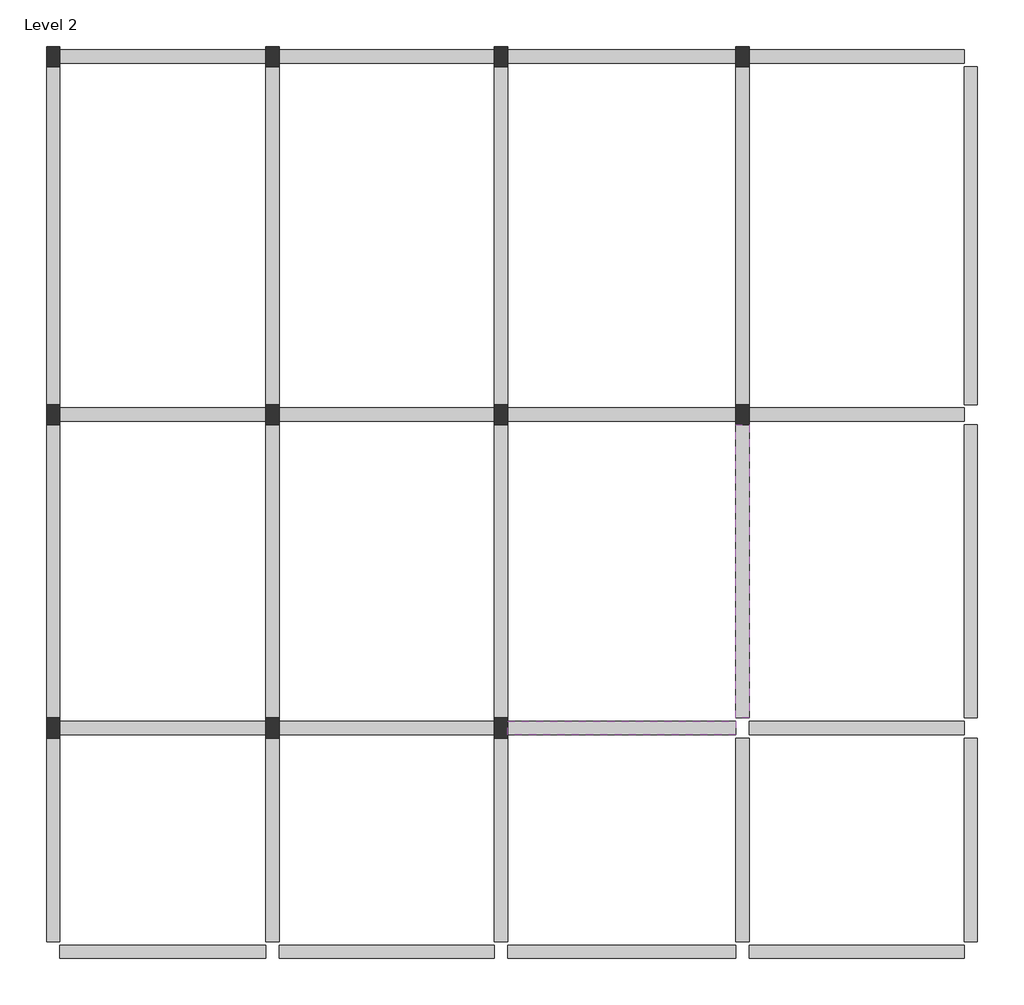
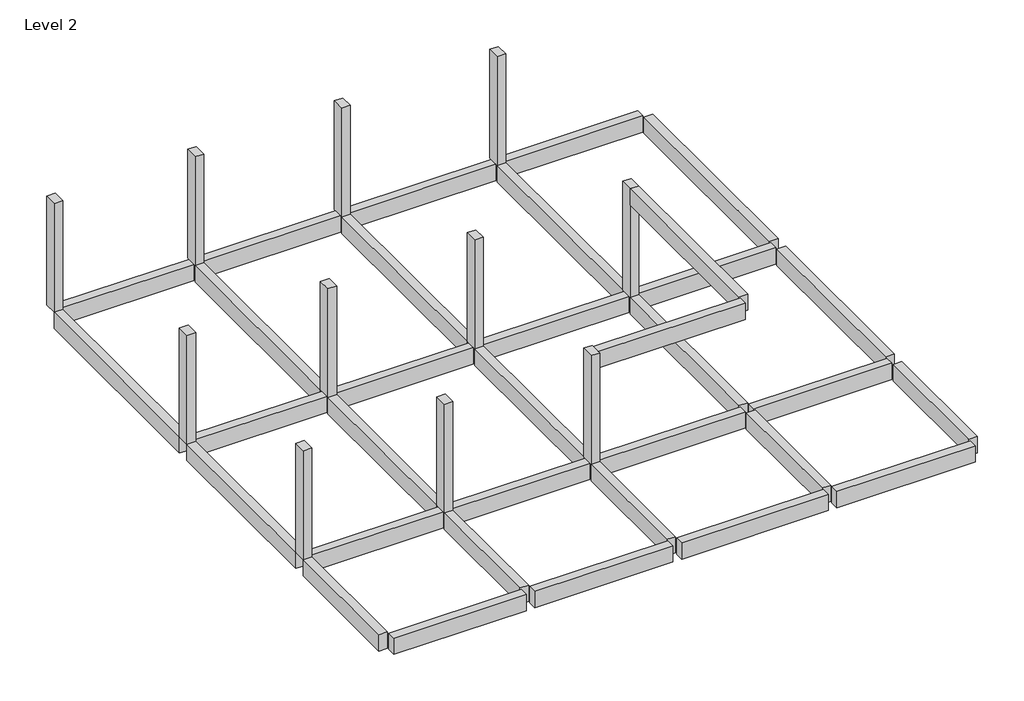
# One storey: 33 beams, 11 columns.
"""IFC4 building model written with IfcOpenShell, lengths in millimetres."""

from ifc_helpers import new_model, si_unit, frame, origin, place, context, project, spatial, polyline, outline, extrude, element, save

model = new_model("IFC4")

# Units and contexts
model_context = context("Model", 3, world=origin())
ifc_project = project(units=[si_unit("LENGTHUNIT", "METRE", prefix="MILLI")], contexts=[model_context])

# Site, building, storey
site = spatial("IfcSite", under=ifc_project)
building = spatial("IfcBuilding", under=site)
storey = spatial("IfcBuildingStorey", under=building, Name="Level 2", Elevation=6500.0)

# Beams
placement = place(None, origin())
element("IfcBeam", 1, ObjectType="Concrete-Rectangular Beam : 300 x 600mm", at=placement, inside=storey, context=model_context, shape_type="SweptSolid", body=[
    extrude(outline(polyline([(-16221.2304607, -12712.1047847), (-16521.2304607, -12712.1047847), (-16521.2304607, -8162.1047847), (-16221.2304607, -8162.1047847), (-16221.2304607, -12712.1047847)])), frame((0.0, 0.0, 5900.0), z_axis=(0.0, 0.0, 1.0), x_axis=(1.0, 0.0, 0.0)), (0.0, 0.0, 1.0), 600.0),
])
element("IfcBeam", 2, ObjectType="Concrete-Rectangular Beam : 300 x 600mm", at=placement, inside=storey, context=model_context, shape_type="SweptSolid", body=[
    extrude(outline(polyline([(-16221.2304607, -7712.1047847), (-16521.2304607, -7712.1047847), (-16521.2304607, -1162.1047847), (-16221.2304607, -1162.1047847), (-16221.2304607, -7712.1047847)])), frame((0.0, 0.0, 5900.0), z_axis=(0.0, 0.0, 1.0), x_axis=(1.0, 0.0, 0.0)), (0.0, 0.0, 1.0), 600.0),
])
element("IfcBeam", 3, ObjectType="Concrete-Rectangular Beam : 300 x 600mm", at=placement, inside=storey, context=model_context, shape_type="SweptSolid", body=[
    extrude(outline(polyline([(-821.2304607, 6912.8952153), (-821.2304607, 7212.8952153), (3978.7695393, 7212.8952153), (3978.7695393, 6912.8952153), (-821.2304607, 6912.8952153)])), frame((0.0, 0.0, 5900.0), z_axis=(0.0, 0.0, 1.0), x_axis=(1.0, 0.0, 0.0)), (0.0, 0.0, 1.0), 600.0),
])
element("IfcBeam", 4, ObjectType="Concrete-Rectangular Beam : 300 x 600mm", at=placement, inside=storey, context=model_context, shape_type="SweptSolid", body=[
    extrude(outline(polyline([(3978.7695393, 6837.8952153), (4278.7695393, 6837.8952153), (4278.7695393, -712.1047847), (3978.7695393, -712.1047847), (3978.7695393, 6837.8952153)])), frame((0.0, 0.0, 5900.0), z_axis=(0.0, 0.0, 1.0), x_axis=(1.0, 0.0, 0.0)), (0.0, 0.0, 1.0), 600.0),
])
element("IfcBeam", 5, ObjectType="Concrete-Rectangular Beam : 300 x 600mm", at=placement, inside=storey, context=model_context, shape_type="SweptSolid", body=[
    extrude(outline(polyline([(3978.7695393, -1162.1047847), (4278.7695393, -1162.1047847), (4278.7695393, -7712.1047847), (3978.7695393, -7712.1047847), (3978.7695393, -1162.1047847)])), frame((0.0, 0.0, 5900.0), z_axis=(0.0, 0.0, 1.0), x_axis=(1.0, 0.0, 0.0)), (0.0, 0.0, 1.0), 600.0),
])
element("IfcBeam", 6, ObjectType="Concrete-Rectangular Beam : 300 x 600mm", at=placement, inside=storey, context=model_context, shape_type="SweptSolid", body=[
    extrude(outline(polyline([(3978.7695393, -8162.1047847), (4278.7695393, -8162.1047847), (4278.7695393, -12712.1047847), (3978.7695393, -12712.1047847), (3978.7695393, -8162.1047847)])), frame((0.0, 0.0, 5900.0), z_axis=(0.0, 0.0, 1.0), x_axis=(1.0, 0.0, 0.0)), (0.0, 0.0, 1.0), 600.0),
])
element("IfcBeam", 7, ObjectType="Concrete-Rectangular Beam : 300 x 600mm", at=placement, inside=storey, context=model_context, shape_type="SweptSolid", body=[
    extrude(outline(polyline([(3978.7695393, -12787.1047847), (3978.7695393, -13087.1047847), (-821.2304607, -13087.1047847), (-821.2304607, -12787.1047847), (3978.7695393, -12787.1047847)])), frame((0.0, 0.0, 5900.0), z_axis=(0.0, 0.0, 1.0), x_axis=(1.0, 0.0, 0.0)), (0.0, 0.0, 1.0), 600.0),
])
element("IfcBeam", 8, ObjectType="Concrete-Rectangular Beam : 300 x 600mm", at=placement, inside=storey, context=model_context, shape_type="SweptSolid", body=[
    extrude(outline(polyline([(-1121.2304607, -12787.1047847), (-1121.2304607, -13087.1047847), (-6221.2304607, -13087.1047847), (-6221.2304607, -12787.1047847), (-1121.2304607, -12787.1047847)])), frame((0.0, 0.0, 5900.0), z_axis=(0.0, 0.0, 1.0), x_axis=(1.0, 0.0, 0.0)), (0.0, 0.0, 1.0), 600.0),
])
element("IfcBeam", 9, ObjectType="Concrete-Rectangular Beam : 300 x 600mm", at=placement, inside=storey, context=model_context, shape_type="SweptSolid", body=[
    extrude(outline(polyline([(-6521.2304607, -12787.1047847), (-6521.2304607, -13087.1047847), (-11321.2304607, -13087.1047847), (-11321.2304607, -12787.1047847), (-6521.2304607, -12787.1047847)])), frame((0.0, 0.0, 5900.0), z_axis=(0.0, 0.0, 1.0), x_axis=(1.0, 0.0, 0.0)), (0.0, 0.0, 1.0), 600.0),
])
element("IfcBeam", 10, ObjectType="Concrete-Rectangular Beam : 300 x 600mm", at=placement, inside=storey, context=model_context, shape_type="SweptSolid", body=[
    extrude(outline(polyline([(-11621.2304607, -12787.1047847), (-11621.2304607, -13087.1047847), (-16221.2304607, -13087.1047847), (-16221.2304607, -12787.1047847), (-11621.2304607, -12787.1047847)])), frame((0.0, 0.0, 5900.0), z_axis=(0.0, 0.0, 1.0), x_axis=(1.0, 0.0, 0.0)), (0.0, 0.0, 1.0), 600.0),
])
element("IfcBeam", 11, ObjectType="Concrete-Rectangular Beam : 300 x 600mm", at=placement, inside=storey, context=model_context, shape_type="SweptSolid", body=[
    extrude(outline(polyline([(-11321.2304607, -12712.1047847), (-11621.2304607, -12712.1047847), (-11621.2304607, -8162.1047847), (-11321.2304607, -8162.1047847), (-11321.2304607, -12712.1047847)])), frame((0.0, 0.0, 5900.0), z_axis=(0.0, 0.0, 1.0), x_axis=(1.0, 0.0, 0.0)), (0.0, 0.0, 1.0), 600.0),
])
element("IfcBeam", 12, ObjectType="Concrete-Rectangular Beam : 300 x 600mm", at=placement, inside=storey, context=model_context, shape_type="SweptSolid", body=[
    extrude(outline(polyline([(-11321.2304607, -7712.1047847), (-11621.2304607, -7712.1047847), (-11621.2304607, -1162.1047847), (-11321.2304607, -1162.1047847), (-11321.2304607, -7712.1047847)])), frame((0.0, 0.0, 5900.0), z_axis=(0.0, 0.0, 1.0), x_axis=(1.0, 0.0, 0.0)), (0.0, 0.0, 1.0), 600.0),
])
element("IfcBeam", 13, ObjectType="Concrete-Rectangular Beam : 300 x 600mm", at=placement, inside=storey, context=model_context, shape_type="SweptSolid", body=[
    extrude(outline(polyline([(-11321.2304607, -712.1047847), (-11621.2304607, -712.1047847), (-11621.2304607, 6837.8952153), (-11321.2304607, 6837.8952153), (-11321.2304607, -712.1047847)])), frame((0.0, 0.0, 5900.0), z_axis=(0.0, 0.0, 1.0), x_axis=(1.0, 0.0, 0.0)), (0.0, 0.0, 1.0), 600.0),
])
element("IfcBeam", 14, ObjectType="Concrete-Rectangular Beam : 300 x 600mm", at=placement, inside=storey, context=model_context, shape_type="SweptSolid", body=[
    extrude(outline(polyline([(-6521.2304607, 6837.8952153), (-6221.2304607, 6837.8952153), (-6221.2304607, -712.1047847), (-6521.2304607, -712.1047847), (-6521.2304607, 6837.8952153)])), frame((0.0, 0.0, 5900.0), z_axis=(0.0, 0.0, 1.0), x_axis=(1.0, 0.0, 0.0)), (0.0, 0.0, 1.0), 600.0),
])
element("IfcBeam", 15, ObjectType="Concrete-Rectangular Beam : 300 x 600mm", at=placement, inside=storey, context=model_context, shape_type="SweptSolid", body=[
    extrude(outline(polyline([(-6521.2304607, -1162.1047847), (-6221.2304607, -1162.1047847), (-6221.2304607, -7712.1047847), (-6521.2304607, -7712.1047847), (-6521.2304607, -1162.1047847)])), frame((0.0, 0.0, 5900.0), z_axis=(0.0, 0.0, 1.0), x_axis=(1.0, 0.0, 0.0)), (0.0, 0.0, 1.0), 600.0),
])
element("IfcBeam", 16, ObjectType="Concrete-Rectangular Beam : 300 x 600mm", at=placement, inside=storey, context=model_context, shape_type="SweptSolid", body=[
    extrude(outline(polyline([(-6521.2304607, -8162.1047847), (-6221.2304607, -8162.1047847), (-6221.2304607, -12712.1047847), (-6521.2304607, -12712.1047847), (-6521.2304607, -8162.1047847)])), frame((0.0, 0.0, 5900.0), z_axis=(0.0, 0.0, 1.0), x_axis=(1.0, 0.0, 0.0)), (0.0, 0.0, 1.0), 600.0),
])
element("IfcBeam", 17, ObjectType="Concrete-Rectangular Beam : 300 x 600mm", at=placement, inside=storey, context=model_context, shape_type="SweptSolid", body=[
    extrude(outline(polyline([(-821.2304607, -12712.1047847), (-1121.2304607, -12712.1047847), (-1121.2304607, -8162.1047847), (-821.2304607, -8162.1047847), (-821.2304607, -12712.1047847)])), frame((0.0, 0.0, 5900.0), z_axis=(0.0, 0.0, 1.0), x_axis=(1.0, 0.0, 0.0)), (0.0, 0.0, 1.0), 600.0),
])
element("IfcBeam", 18, ObjectType="Concrete-Rectangular Beam : 300 x 600mm", at=placement, inside=storey, context=model_context, shape_type="SweptSolid", body=[
    extrude(outline(polyline([(-821.2304607, -7712.1047847), (-1121.2304607, -7712.1047847), (-1121.2304607, -1162.1047847), (-821.2304607, -1162.1047847), (-821.2304607, -7712.1047847)])), frame((0.0, 0.0, 5900.0), z_axis=(0.0, 0.0, 1.0), x_axis=(1.0, 0.0, 0.0)), (0.0, 0.0, 1.0), 600.0),
])
element("IfcBeam", 19, ObjectType="Concrete-Rectangular Beam : 300 x 600mm", at=placement, inside=storey, context=model_context, shape_type="SweptSolid", body=[
    extrude(outline(polyline([(-1121.2304607, 6837.8952153), (-821.2304607, 6837.8952153), (-821.2304607, -712.1047847), (-1121.2304607, -712.1047847), (-1121.2304607, 6837.8952153)])), frame((0.0, 0.0, 5900.0), z_axis=(0.0, 0.0, 1.0), x_axis=(1.0, 0.0, 0.0)), (0.0, 0.0, 1.0), 600.0),
])
element("IfcBeam", 20, ObjectType="Concrete-Rectangular Beam : 300 x 600mm", at=placement, inside=storey, context=model_context, shape_type="SweptSolid", body=[
    extrude(outline(polyline([(-11621.2304607, -787.1047847), (-11621.2304607, -1087.1047847), (-16221.2304607, -1087.1047847), (-16221.2304607, -787.1047847), (-11621.2304607, -787.1047847)])), frame((0.0, 0.0, 5900.0), z_axis=(0.0, 0.0, 1.0), x_axis=(1.0, 0.0, 0.0)), (0.0, 0.0, 1.0), 600.0),
])
element("IfcBeam", 21, ObjectType="Concrete-Rectangular Beam : 300 x 600mm", at=placement, inside=storey, context=model_context, shape_type="SweptSolid", body=[
    extrude(outline(polyline([(-11321.2304607, -1087.1047847), (-11321.2304607, -787.1047847), (-6521.2304607, -787.1047847), (-6521.2304607, -1087.1047847), (-11321.2304607, -1087.1047847)])), frame((0.0, 0.0, 5900.0), z_axis=(0.0, 0.0, 1.0), x_axis=(1.0, 0.0, 0.0)), (0.0, 0.0, 1.0), 600.0),
])
element("IfcBeam", 22, ObjectType="Concrete-Rectangular Beam : 300 x 600mm", at=placement, inside=storey, context=model_context, shape_type="SweptSolid", body=[
    extrude(outline(polyline([(-6221.2304607, -1087.1047847), (-6221.2304607, -787.1047847), (-1121.2304607, -787.1047847), (-1121.2304607, -1087.1047847), (-6221.2304607, -1087.1047847)])), frame((0.0, 0.0, 5900.0), z_axis=(0.0, 0.0, 1.0), x_axis=(1.0, 0.0, 0.0)), (0.0, 0.0, 1.0), 600.0),
])
element("IfcBeam", 23, ObjectType="Concrete-Rectangular Beam : 300 x 600mm", at=placement, inside=storey, context=model_context, shape_type="SweptSolid", body=[
    extrude(outline(polyline([(3978.7695393, -787.1047847), (3978.7695393, -1087.1047847), (-821.2304607, -1087.1047847), (-821.2304607, -787.1047847), (3978.7695393, -787.1047847)])), frame((0.0, 0.0, 5900.0), z_axis=(0.0, 0.0, 1.0), x_axis=(1.0, 0.0, 0.0)), (0.0, 0.0, 1.0), 600.0),
])
element("IfcBeam", 24, ObjectType="Concrete-Rectangular Beam : 300 x 600mm", at=placement, inside=storey, context=model_context, shape_type="SweptSolid", body=[
    extrude(outline(polyline([(3978.7695393, -7787.1047847), (3978.7695393, -8087.1047847), (-821.2304607, -8087.1047847), (-821.2304607, -7787.1047847), (3978.7695393, -7787.1047847)])), frame((0.0, 0.0, 5900.0), z_axis=(0.0, 0.0, 1.0), x_axis=(1.0, 0.0, 0.0)), (0.0, 0.0, 1.0), 600.0),
])
element("IfcBeam", 25, ObjectType="Concrete-Rectangular Beam : 300 x 600mm", at=placement, inside=storey, context=model_context, shape_type="SweptSolid", body=[
    extrude(outline(polyline([(-6221.2304607, -8087.1047847), (-6221.2304607, -7787.1047847), (-1121.2304607, -7787.1047847), (-1121.2304607, -8087.1047847), (-6221.2304607, -8087.1047847)])), frame((0.0, 0.0, 5900.0), z_axis=(0.0, 0.0, 1.0), x_axis=(1.0, 0.0, 0.0)), (0.0, 0.0, 1.0), 600.0),
])
element("IfcBeam", 26, ObjectType="Concrete-Rectangular Beam : 300 x 600mm", at=placement, inside=storey, context=model_context, shape_type="SweptSolid", body=[
    extrude(outline(polyline([(-11321.2304607, -8087.1047847), (-11321.2304607, -7787.1047847), (-6521.2304607, -7787.1047847), (-6521.2304607, -8087.1047847), (-11321.2304607, -8087.1047847)])), frame((0.0, 0.0, 5900.0), z_axis=(0.0, 0.0, 1.0), x_axis=(1.0, 0.0, 0.0)), (0.0, 0.0, 1.0), 600.0),
])
element("IfcBeam", 27, ObjectType="Concrete-Rectangular Beam : 300 x 600mm", at=placement, inside=storey, context=model_context, shape_type="SweptSolid", body=[
    extrude(outline(polyline([(-16221.2304607, -8087.1047847), (-16221.2304607, -7787.1047847), (-11621.2304607, -7787.1047847), (-11621.2304607, -8087.1047847), (-16221.2304607, -8087.1047847)])), frame((0.0, 0.0, 5900.0), z_axis=(0.0, 0.0, 1.0), x_axis=(1.0, 0.0, 0.0)), (0.0, 0.0, 1.0), 600.0),
])
element("IfcBeam", 28, ObjectType="Concrete-Rectangular Beam : 300 x 600mm", at=placement, inside=storey, context=model_context, shape_type="SweptSolid", body=[
    extrude(outline(polyline([(-1121.2304607, -1162.1047847), (-821.2304607, -1162.1047847), (-821.2304607, -7712.1047847), (-1121.2304607, -7712.1047847), (-1121.2304607, -1162.1047847)])), frame((0.0, 0.0, 9900.0), z_axis=(0.0, 0.0, 1.0), x_axis=(1.0, 0.0, 0.0)), (0.0, 0.0, 1.0), 600.0),
])
element("IfcBeam", 29, ObjectType="Concrete-Rectangular Beam : 300 x 600mm", at=placement, inside=storey, context=model_context, shape_type="SweptSolid", body=[
    extrude(outline(polyline([(-1121.2304607, -7787.1047847), (-1121.2304607, -8087.1047847), (-6221.2304607, -8087.1047847), (-6221.2304607, -7787.1047847), (-1121.2304607, -7787.1047847)])), frame((0.0, 0.0, 9900.0), z_axis=(0.0, 0.0, 1.0), x_axis=(1.0, 0.0, 0.0)), (0.0, 0.0, 1.0), 600.0),
])
element("IfcBeam", 30, ObjectType="Concrete-Rectangular Beam : 300 x 600mm", at=placement, inside=storey, context=model_context, shape_type="SweptSolid", body=[
    extrude(outline(polyline([(-16221.2304607, 6912.8952153), (-16221.2304607, 7212.8952153), (-11621.2304607, 7212.8952153), (-11621.2304607, 6912.8952153), (-16221.2304607, 6912.8952153)])), frame((0.0, 0.0, 5900.0), z_axis=(0.0, 0.0, 1.0), x_axis=(1.0, 0.0, 0.0)), (0.0, 0.0, 1.0), 600.0),
])
element("IfcBeam", 31, ObjectType="Concrete-Rectangular Beam : 300 x 600mm", at=placement, inside=storey, context=model_context, shape_type="SweptSolid", body=[
    extrude(outline(polyline([(-11321.2304607, 6912.8952153), (-11321.2304607, 7212.8952153), (-6521.2304607, 7212.8952153), (-6521.2304607, 6912.8952153), (-11321.2304607, 6912.8952153)])), frame((0.0, 0.0, 5900.0), z_axis=(0.0, 0.0, 1.0), x_axis=(1.0, 0.0, 0.0)), (0.0, 0.0, 1.0), 600.0),
])
element("IfcBeam", 32, ObjectType="Concrete-Rectangular Beam : 300 x 600mm", at=placement, inside=storey, context=model_context, shape_type="SweptSolid", body=[
    extrude(outline(polyline([(-1121.2304607, 7212.8952153), (-1121.2304607, 6912.8952153), (-6221.2304607, 6912.8952153), (-6221.2304607, 7212.8952153), (-1121.2304607, 7212.8952153)])), frame((0.0, 0.0, 5900.0), z_axis=(0.0, 0.0, 1.0), x_axis=(1.0, 0.0, 0.0)), (0.0, 0.0, 1.0), 600.0),
])
element("IfcBeam", 33, ObjectType="Concrete-Rectangular Beam : 300 x 600mm", at=placement, inside=storey, context=model_context, shape_type="SweptSolid", body=[
    extrude(outline(polyline([(-16521.2304607, 6837.8952153), (-16221.2304607, 6837.8952153), (-16221.2304607, -712.1047847), (-16521.2304607, -712.1047847), (-16521.2304607, 6837.8952153)])), frame((0.0, 0.0, 5900.0), z_axis=(0.0, 0.0, 1.0), x_axis=(1.0, 0.0, 0.0)), (0.0, 0.0, 1.0), 600.0),
])

# Columns
element("IfcColumn", 34, ObjectType="Concrete-Rectangular-Column : 300 x 450mm", at=placement, inside=storey, context=model_context, shape_type="SweptSolid", body=[
    extrude(outline(polyline([(-16221.2304607, -7712.1047847), (-16221.2304607, -8162.1047847), (-16521.2304607, -8162.1047847), (-16521.2304607, -7712.1047847), (-16221.2304607, -7712.1047847)])), frame((0.0, 0.0, 6500.0), z_axis=(0.0, 0.0, 1.0), x_axis=(1.0, 0.0, 0.0)), (0.0, 0.0, 1.0), 4000.0),
])
element("IfcColumn", 35, ObjectType="Concrete-Rectangular-Column : 300 x 450mm", at=placement, inside=storey, context=model_context, shape_type="SweptSolid", body=[
    extrude(outline(polyline([(-16221.2304607, -712.1047847), (-16221.2304607, -1162.1047847), (-16521.2304607, -1162.1047847), (-16521.2304607, -712.1047847), (-16221.2304607, -712.1047847)])), frame((0.0, 0.0, 6500.0), z_axis=(0.0, 0.0, 1.0), x_axis=(1.0, 0.0, 0.0)), (0.0, 0.0, 1.0), 4000.0),
])
element("IfcColumn", 36, ObjectType="Concrete-Rectangular-Column : 300 x 450mm", at=placement, inside=storey, context=model_context, shape_type="SweptSolid", body=[
    extrude(outline(polyline([(-16221.2304607, 7287.8952153), (-16221.2304607, 6837.8952153), (-16521.2304607, 6837.8952153), (-16521.2304607, 7287.8952153), (-16221.2304607, 7287.8952153)])), frame((0.0, 0.0, 6500.0), z_axis=(0.0, 0.0, 1.0), x_axis=(1.0, 0.0, 0.0)), (0.0, 0.0, 1.0), 4000.0),
])
element("IfcColumn", 37, ObjectType="Concrete-Rectangular-Column : 300 x 450mm", at=placement, inside=storey, context=model_context, shape_type="SweptSolid", body=[
    extrude(outline(polyline([(-11321.2304607, -7712.1047847), (-11321.2304607, -8162.1047847), (-11621.2304607, -8162.1047847), (-11621.2304607, -7712.1047847), (-11321.2304607, -7712.1047847)])), frame((0.0, 0.0, 6500.0), z_axis=(0.0, 0.0, 1.0), x_axis=(1.0, 0.0, 0.0)), (0.0, 0.0, 1.0), 4000.0),
])
element("IfcColumn", 38, ObjectType="Concrete-Rectangular-Column : 300 x 450mm", at=placement, inside=storey, context=model_context, shape_type="SweptSolid", body=[
    extrude(outline(polyline([(-11321.2304607, -712.1047847), (-11321.2304607, -1162.1047847), (-11621.2304607, -1162.1047847), (-11621.2304607, -712.1047847), (-11321.2304607, -712.1047847)])), frame((0.0, 0.0, 6500.0), z_axis=(0.0, 0.0, 1.0), x_axis=(1.0, 0.0, 0.0)), (0.0, 0.0, 1.0), 4000.0),
])
element("IfcColumn", 39, ObjectType="Concrete-Rectangular-Column : 300 x 450mm", at=placement, inside=storey, context=model_context, shape_type="SweptSolid", body=[
    extrude(outline(polyline([(-11321.2304607, 7287.8952153), (-11321.2304607, 6837.8952153), (-11621.2304607, 6837.8952153), (-11621.2304607, 7287.8952153), (-11321.2304607, 7287.8952153)])), frame((0.0, 0.0, 6500.0), z_axis=(0.0, 0.0, 1.0), x_axis=(1.0, 0.0, 0.0)), (0.0, 0.0, 1.0), 4000.0),
])
element("IfcColumn", 40, ObjectType="Concrete-Rectangular-Column : 300 x 450mm", at=placement, inside=storey, context=model_context, shape_type="SweptSolid", body=[
    extrude(outline(polyline([(-6221.2304607, -7712.1047847), (-6221.2304607, -8162.1047847), (-6521.2304607, -8162.1047847), (-6521.2304607, -7712.1047847), (-6221.2304607, -7712.1047847)])), frame((0.0, 0.0, 6500.0), z_axis=(0.0, 0.0, 1.0), x_axis=(1.0, 0.0, 0.0)), (0.0, 0.0, 1.0), 4000.0),
])
element("IfcColumn", 41, ObjectType="Concrete-Rectangular-Column : 300 x 450mm", at=placement, inside=storey, context=model_context, shape_type="SweptSolid", body=[
    extrude(outline(polyline([(-6221.2304607, -712.1047847), (-6221.2304607, -1162.1047847), (-6521.2304607, -1162.1047847), (-6521.2304607, -712.1047847), (-6221.2304607, -712.1047847)])), frame((0.0, 0.0, 6500.0), z_axis=(0.0, 0.0, 1.0), x_axis=(1.0, 0.0, 0.0)), (0.0, 0.0, 1.0), 4000.0),
])
element("IfcColumn", 42, ObjectType="Concrete-Rectangular-Column : 300 x 450mm", at=placement, inside=storey, context=model_context, shape_type="SweptSolid", body=[
    extrude(outline(polyline([(-6221.2304607, 7287.8952153), (-6221.2304607, 6837.8952153), (-6521.2304607, 6837.8952153), (-6521.2304607, 7287.8952153), (-6221.2304607, 7287.8952153)])), frame((0.0, 0.0, 6500.0), z_axis=(0.0, 0.0, 1.0), x_axis=(1.0, 0.0, 0.0)), (0.0, 0.0, 1.0), 4000.0),
])
element("IfcColumn", 43, ObjectType="Concrete-Rectangular-Column : 300 x 450mm", at=placement, inside=storey, context=model_context, shape_type="SweptSolid", body=[
    extrude(outline(polyline([(-821.2304607, -712.1047847), (-821.2304607, -1162.1047847), (-1121.2304607, -1162.1047847), (-1121.2304607, -712.1047847), (-821.2304607, -712.1047847)])), frame((0.0, 0.0, 6500.0), z_axis=(0.0, 0.0, 1.0), x_axis=(1.0, 0.0, 0.0)), (0.0, 0.0, 1.0), 4000.0),
])
element("IfcColumn", 44, ObjectType="Concrete-Rectangular-Column : 300 x 450mm", at=placement, inside=storey, context=model_context, shape_type="SweptSolid", body=[
    extrude(outline(polyline([(-821.2304607, 7287.8952153), (-821.2304607, 6837.8952153), (-1121.2304607, 6837.8952153), (-1121.2304607, 7287.8952153), (-821.2304607, 7287.8952153)])), frame((0.0, 0.0, 6500.0), z_axis=(0.0, 0.0, 1.0), x_axis=(1.0, 0.0, 0.0)), (0.0, 0.0, 1.0), 4000.0),
])

save(model, "model.ifc")
